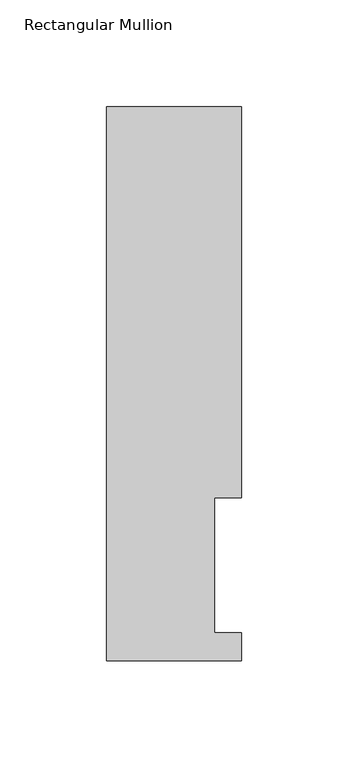
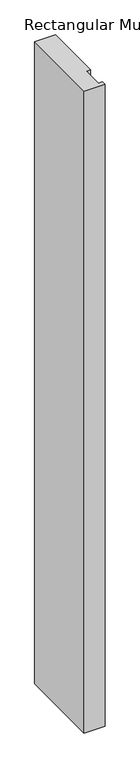
"""IFC4 building model written with IfcOpenShell, lengths in millimetres: member geometry, Rectangular Mullion."""

from ifc_helpers import new_model, si_unit, frame, origin, place, context, project, spatial, polyline, outline, extrude, source, transform, mapped, element, save


def rectangular_mullion_d51a686a(model_context):
    return source(origin(), model_context, "Body", "SweptSolid", [
        extrude(outline(polyline([(-31.75, -0.0333811), (-31.75, 259.9671074), (31.75, 259.9671074), (31.75, 76.2992188), (19.05, 76.2992188), (19.05, 13.1492189), (31.75, 13.1492189), (31.75, -0.0333811), (-31.75, -0.0333811)])), frame((0.0, 0.0, -2057.4), z_axis=(0.0, 0.0, 1.0), x_axis=(1.0, 0.0, 0.0)), (0.0, 0.0, 1.0), 2057.4),
    ])


if __name__ == "__main__":
    model = new_model("IFC4")
    model_context = context("Model", 3, world=origin())
    ifc_project = project(units=[si_unit("LENGTHUNIT", "METRE", prefix="MILLI")], contexts=[model_context])
    site = spatial("IfcSite", under=ifc_project)
    building = spatial("IfcBuilding", under=site)
    placement = place(None, origin())
    rectangular_mullion_shape = rectangular_mullion_d51a686a(model_context)
    element("IfcMember", 1, ObjectType="Rectangular Mullion", at=placement, inside=building, context=model_context, shape_type="MappedRepresentation", body=[
        mapped(rectangular_mullion_shape, transform((0.0, 0.0, 0.0), x_axis=(1.0, 0.0, 0.0), y_axis=(0.0, 1.0, 0.0), z_axis=(0.0, 0.0, 1.0))),
    ])
    save(model, "model.ifc")
